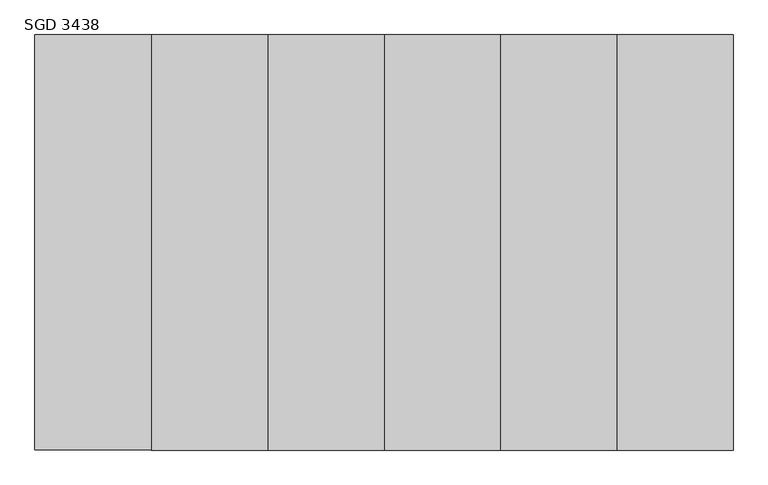
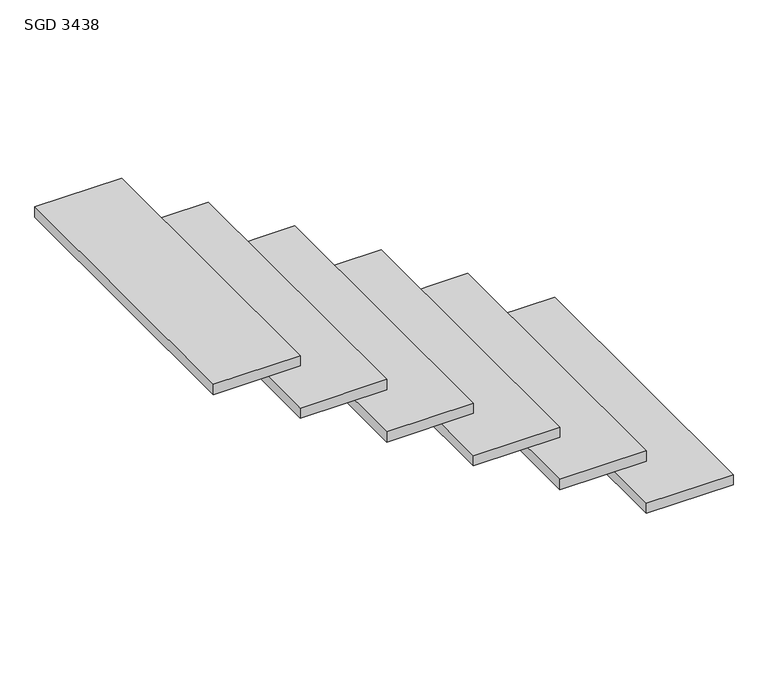
"""IFC4 building model written with IfcOpenShell, lengths in millimetres: stair flight geometry, SGD 3438."""

from ifc_helpers import new_model, si_unit, frame, origin, place, context, project, spatial, polyline, outline, extrude, source, transform, mapped, element, save


def sgd_3438_633eb49d(model_context):
    return source(origin(), model_context, "Body", "SweptSolid", [
        extrude(outline(polyline([(-1066.4074117, -2159.0766376), (-1066.4074117, -1159.0766376), (-786.4074117, -1159.0766376), (-786.4074117, -2159.0766376), (-1066.4074117, -2159.0766376)])), frame((0.0, 0.0, -2638.7253381), z_axis=(0.0, 0.0, 1.0), x_axis=(1.0, 0.0, 0.0)), (0.0, 0.0, 1.0), 35.0),
        extrude(outline(polyline([(-1346.4074117, -2159.0766376), (-1346.4074117, -1159.0766376), (-1066.4074117, -1159.0766376), (-1066.4074117, -2159.0766376), (-1346.4074117, -2159.0766376)])), frame((0.0, 0.0, -2459.4312205), z_axis=(0.0, 0.0, 1.0), x_axis=(1.0, 0.0, 0.0)), (0.0, 0.0, 1.0), 35.0),
        extrude(outline(polyline([(-1626.4074117, -2159.0766376), (-1626.4074117, -1159.0766376), (-1346.4074117, -1159.0766376), (-1346.4074117, -2159.0766376), (-1626.4074117, -2159.0766376)])), frame((0.0, 0.0, -2280.1371028), z_axis=(0.0, 0.0, 1.0), x_axis=(1.0, 0.0, 0.0)), (0.0, 0.0, 1.0), 35.0),
        extrude(outline(polyline([(-1906.4074117, -2159.0766376), (-1906.4074117, -1159.0766376), (-1626.4074117, -1159.0766376), (-1626.4074117, -2159.0766376), (-1906.4074117, -2159.0766376)])), frame((0.0, 0.0, -2100.8429852), z_axis=(0.0, 0.0, 1.0), x_axis=(1.0, 0.0, 0.0)), (0.0, 0.0, 1.0), 35.0),
        extrude(outline(polyline([(-2186.4074117, -2159.0766376), (-2186.4074117, -1159.0766376), (-1906.4074117, -1159.0766376), (-1906.4074117, -2159.0766376), (-2186.4074117, -2159.0766376)])), frame((0.0, 0.0, -1921.5488675), z_axis=(0.0, 0.0, 1.0), x_axis=(1.0, 0.0, 0.0)), (0.0, 0.0, 1.0), 35.0),
        extrude(outline(polyline([(-2466.4074117, -2159.0766376), (-2466.4074117, -1159.0766376), (-2186.4074117, -1159.0766376), (-2186.4074117, -2159.0766376), (-2466.4074117, -2159.0766376)])), frame((0.0, 0.0, -1742.2547499), z_axis=(0.0, 0.0, 1.0), x_axis=(1.0, 0.0, 0.0)), (0.0, 0.0, 1.0), 35.0),
    ])


if __name__ == "__main__":
    model = new_model("IFC4")
    model_context = context("Model", 3, world=origin())
    ifc_project = project(units=[si_unit("LENGTHUNIT", "METRE", prefix="MILLI")], contexts=[model_context])
    site = spatial("IfcSite", under=ifc_project)
    building = spatial("IfcBuilding", under=site)
    placement = place(None, origin())
    sgd_3438_shape = sgd_3438_633eb49d(model_context)
    element("IfcStairFlight", 1, ObjectType="SGD 3438", at=placement, inside=building, context=model_context, shape_type="MappedRepresentation", body=[
        mapped(sgd_3438_shape, transform((0.0, 0.0, 0.0), x_axis=(1.0, 0.0, 0.0), y_axis=(0.0, 1.0, 0.0), z_axis=(0.0, 0.0, 1.0))),
    ])
    save(model, "model.ifc")
